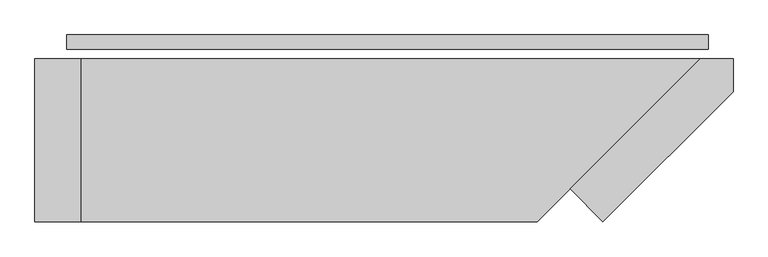
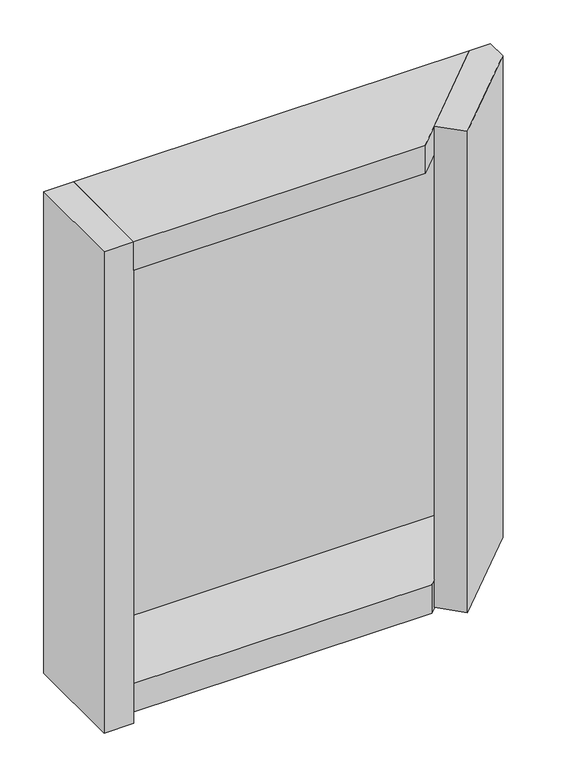
"""IFC4 building model written with IfcOpenShell, lengths in millimetres: plate geometry."""

from ifc_helpers import new_model, si_unit, frame, origin, origin_with_axes, place, context, project, spatial, polyline, outline, extrude, source, transform, mapped, element, save


def plate_4bb9e6bb(model_context):
    return source(origin(), model_context, "Body", "SweptSolid", [
        extrude(outline(polyline([(550.5, 0.0), (550.5, -25.0), (-550.5, -25.0), (-550.5, 0.0), (550.5, 0.0)])), origin_with_axes(), (0.0, 0.0, 1.0), 1254.465707),
        extrude(outline(polyline([(313.5, -264.4314575), (536.9314575, -41.0), (593.5, -41.0), (593.5, -97.5685425), (370.0685425, -321.0), (313.5, -264.4314575)])), frame((0.0, 0.0, -55.0), z_axis=(0.0, 0.0, 1.0), x_axis=(1.0, 0.0, 0.0)), (0.0, 0.0, 1.0), 1364.465707),
        extrude(outline(polyline([(-525.5, -321.0), (-525.5, -41.0), (536.9314575, -41.0), (256.9314575, -321.0), (-525.5, -321.0)])), frame((0.0, 0.0, 1229.465707), z_axis=(0.0, 0.0, 1.0), x_axis=(1.0, 0.0, 0.0)), (0.0, 0.0, 1.0), 80.0),
        extrude(outline(polyline([(-525.5, -281.0), (-525.5, -41.0), (536.9314575, -41.0), (296.9314575, -281.0), (-525.5, -281.0)])), frame((0.0, 0.0, -55.0), z_axis=(0.0, 0.0, 1.0), x_axis=(1.0, 0.0, 0.0)), (0.0, 0.0, 1.0), 80.0),
        extrude(outline(polyline([(-605.5, -41.0), (-525.5, -41.0), (-525.5, -321.0), (-605.5, -321.0), (-605.5, -41.0)])), frame((0.0, 0.0, -55.0), z_axis=(0.0, 0.0, 1.0), x_axis=(1.0, 0.0, 0.0)), (0.0, 0.0, 1.0), 1364.465707),
    ])


if __name__ == "__main__":
    model = new_model("IFC4")
    model_context = context("Model", 3, world=origin())
    ifc_project = project(units=[si_unit("LENGTHUNIT", "METRE", prefix="MILLI")], contexts=[model_context])
    site = spatial("IfcSite", under=ifc_project)
    building = spatial("IfcBuilding", under=site)
    placement = place(None, origin())
    plate_shape = plate_4bb9e6bb(model_context)
    element("IfcPlate", 1, at=placement, inside=building, context=model_context, shape_type="MappedRepresentation", body=[
        mapped(plate_shape, transform((0.0, 0.0, 0.0), x_axis=(1.0, 0.0, 0.0), y_axis=(0.0, 1.0, 0.0), z_axis=(0.0, 0.0, 1.0))),
    ])
    save(model, "model.ifc")
